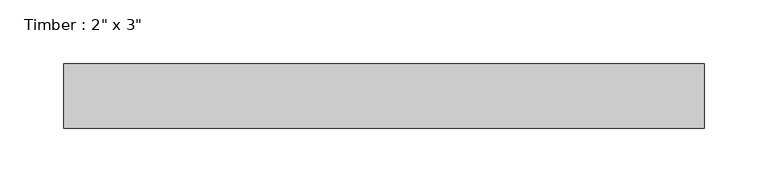
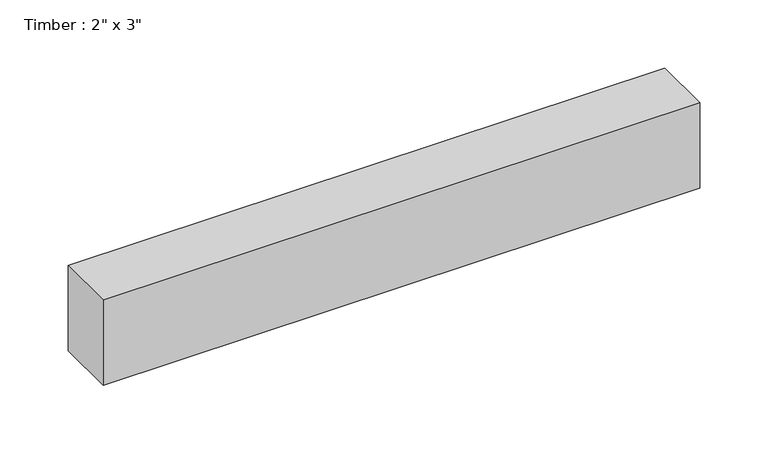
"""IFC4 building model written with IfcOpenShell, lengths in millimetres: beam geometry."""

from ifc_helpers import new_model, si_unit, frame, origin, place, context, project, spatial, polyline, outline, extrude, source, transform, mapped, element, save


def beam_6028611b(model_context):
    return source(origin(), model_context, "Body", "SweptSolid", [
        extrude(outline(polyline([(252.0891816, -25.4), (-252.0891816, -25.4), (-252.0891816, 25.4), (252.0891816, 25.4), (252.0891816, -25.4)])), frame((0.0, 0.0, -38.1), z_axis=(0.0, 0.0, 1.0), x_axis=(1.0, 0.0, 0.0)), (0.0, 0.0, 1.0), 76.2),
    ])


if __name__ == "__main__":
    model = new_model("IFC4")
    model_context = context("Model", 3, world=origin())
    ifc_project = project(units=[si_unit("LENGTHUNIT", "METRE", prefix="MILLI")], contexts=[model_context])
    site = spatial("IfcSite", under=ifc_project)
    building = spatial("IfcBuilding", under=site)
    placement = place(None, origin())
    beam_shape = beam_6028611b(model_context)
    element("IfcBeam", 1, ObjectType="Timber : 2\" x 3\"", at=placement, inside=building, context=model_context, shape_type="MappedRepresentation", body=[
        mapped(beam_shape, transform((0.0, 0.0, 0.0), x_axis=(1.0, 0.0, 0.0), y_axis=(0.0, 1.0, 0.0), z_axis=(0.0, 0.0, 1.0))),
    ])
    save(model, "model.ifc")
